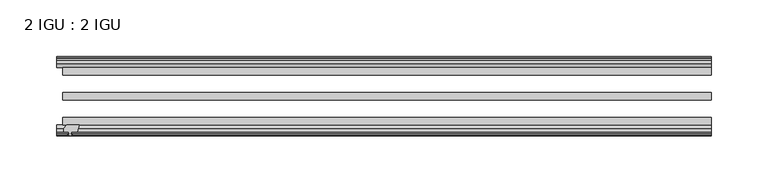
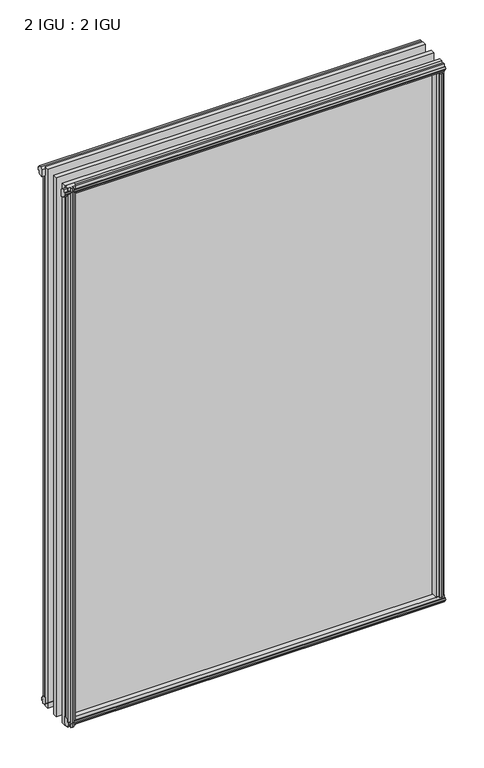
"""IFC4 building model written with IfcOpenShell, lengths in millimetres: plate geometry, 2 IGU : 2 IGU."""

from ifc_helpers import new_model, si_unit, frame, origin, origin_with_axes, place, context, project, spatial, polyline, outline, extrude, source, transform, mapped, element, save


def plate_2_igu_2_igu_f10d686a(model_context):
    return source(origin(), model_context, "Body", "SweptSolid", [
        extrude(outline(polyline([(-271.3322819, -69.9960936), (-273.05, -76.3460936), (-278.257, -76.3460936), (-278.638, -78.7262905), (-277.2224709, -78.2663573), (-277.2224709, -79.0675715), (-279.4, -79.7750936), (-281.5775291, -79.0675715), (-281.5775291, -78.2663573), (-280.162, -78.7262905), (-280.543, -76.3460936), (-284.988, -76.3460936), (-284.988, -73.3996936), (-282.1536578, -69.9960936), (-271.3322819, -69.9960936)])), frame((0.0, 0.0, -12.303125), z_axis=(0.0, 0.0, 1.0), x_axis=(1.0, 0.0, 0.0)), (0.0, 0.0, 1.0), 862.961825),
        extrude(outline(polyline([(277.7431709, -10.4746158), (279.9207, -9.7670937), (282.0982291, -10.4746158), (282.0982291, -11.27583), (280.6827, -10.8158968), (281.0637, -13.1960937), (285.5087, -13.1960937), (285.5087, -16.1424937), (282.6743578, -19.5460937), (271.8529819, -19.5460937), (273.5707, -13.1960937), (278.7777, -13.1960937), (279.1587, -10.8158968), (277.7431709, -11.27583), (277.7431709, -10.4746158)])), origin_with_axes(), (0.0, 0.0, 1.0), 838.2),
        extrude(outline(polyline([(-19.5460937, 1.5938931), (-13.1960937, -0.123825), (-13.1960937, -5.330825), (-10.8158968, -5.711825), (-11.27583, -4.2962959), (-10.4746158, -4.2962959), (-9.7670937, -6.473825), (-10.4746158, -8.6513541), (-11.27583, -8.6513541), (-10.8158968, -7.235825), (-13.1960937, -7.616825), (-13.1960937, -12.061825), (-16.1424937, -12.061825), (-19.5460937, -9.2274828), (-19.5460937, 1.5938931)])), frame((-285.75, 0.0, 0.0), z_axis=(1.0, 0.0, 0.0), x_axis=(0.0, 1.0, 0.0)), (0.0, 0.0, 1.0), 571.5),
        extrude(outline(polyline([(-69.9960936, 2.1145931), (-69.9960936, -8.7067828), (-73.3996936, -11.541125), (-76.3460936, -11.541125), (-76.3460936, -7.096125), (-78.7262905, -6.715125), (-78.2663573, -8.1306541), (-79.0675715, -8.1306541), (-79.7750936, -5.953125), (-79.0675715, -3.7755959), (-78.2663573, -3.7755959), (-78.7262905, -5.191125), (-76.3460936, -4.810125), (-76.3460936, 0.396875), (-69.9960936, 2.1145931)])), frame((-285.75, 0.0, 0.0), z_axis=(1.0, 0.0, 0.0), x_axis=(0.0, 1.0, 0.0)), (0.0, 0.0, 1.0), 571.5),
        extrude(outline(polyline([(-10.8158968, 845.8327), (-11.27583, 847.2482291), (-10.4746158, 847.2482291), (-9.7670937, 845.0707), (-10.4746158, 842.8931709), (-11.27583, 842.8931709), (-10.8158968, 844.3087), (-13.1960937, 843.9277), (-13.1960937, 838.7207), (-19.5460937, 837.0029819), (-19.5460937, 847.8243578), (-16.1424937, 850.6587), (-13.1960937, 850.6587), (-13.1960937, 846.2137), (-10.8158968, 845.8327)])), frame((-291.0961059, 0.0, 0.0), z_axis=(1.0, 0.0, 0.0), x_axis=(0.0, 1.0, 0.0)), (0.0, 0.0, 1.0), 576.8461059),
        extrude(outline(polyline([(-76.3460936, 850.138), (-73.3996936, 850.138), (-69.9960936, 847.3036578), (-69.9960936, 836.4822819), (-76.3460936, 838.2), (-76.3460936, 843.407), (-78.7262905, 843.788), (-78.2663573, 842.3724709), (-79.0675715, 842.3724709), (-79.7750936, 844.55), (-79.0675715, 846.7275291), (-78.2663573, 846.7275291), (-78.7262905, 845.312), (-76.3460936, 845.693), (-76.3460936, 850.138)])), frame((-291.0961059, 0.0, 0.0), z_axis=(1.0, 0.0, 0.0), x_axis=(0.0, 1.0, 0.0)), (0.0, 0.0, 1.0), 576.8461059),
        extrude(outline(polyline([(271.3322819, -69.9960936), (282.1536578, -69.9960936), (284.988, -73.3996936), (284.988, -76.3460936), (280.543, -76.3460936), (280.162, -78.7262905), (281.5775291, -78.2663573), (281.5775291, -79.0675715), (279.4, -79.7750936), (277.2224709, -79.0675715), (277.2224709, -78.2663573), (278.638, -78.7262905), (278.257, -76.3460936), (273.05, -76.3460936), (271.3322819, -69.9960936)])), origin_with_axes(), (0.0, 0.0, 1.0), 838.2),
        extrude(outline(polyline([(-279.9207, -9.7670937), (-277.7431709, -10.4746158), (-277.7431709, -11.27583), (-279.1587, -10.8158968), (-278.7777, -13.1960937), (-273.5707, -13.1960937), (-271.8529819, -19.5460937), (-282.6743578, -19.5460937), (-285.5087, -16.1424937), (-285.5087, -13.1960937), (-281.0637, -13.1960937), (-280.6827, -10.8158968), (-282.0982291, -11.27583), (-282.0982291, -10.4746158), (-279.9207, -9.7670937)])), origin_with_axes(), (0.0, 0.0, 1.0), 838.2),
        extrude(outline(polyline([(285.75, -19.5460937), (285.75, -25.8960937), (-285.75, -25.8960937), (-285.75, -19.5460937), (285.75, -19.5460937)])), frame((0.0, 0.0, -12.303125), z_axis=(0.0, 0.0, 1.0), x_axis=(1.0, 0.0, 0.0)), (0.0, 0.0, 1.0), 863.203125),
        extrude(outline(polyline([(-285.75, -41.5960937), (285.75, -41.5960937), (285.75, -47.9460937), (-285.75, -47.9460937), (-285.75, -41.5960937)])), frame((0.0, 0.0, -12.303125), z_axis=(0.0, 0.0, 1.0), x_axis=(1.0, 0.0, 0.0)), (0.0, 0.0, 1.0), 863.203125),
        extrude(outline(polyline([(285.75, -63.6460936), (285.75, -69.9960936), (-285.75, -69.9960936), (-285.75, -63.6460936), (285.75, -63.6460936)])), frame((0.0, 0.0, -12.303125), z_axis=(0.0, 0.0, 1.0), x_axis=(1.0, 0.0, 0.0)), (0.0, 0.0, 1.0), 863.203125),
    ])


if __name__ == "__main__":
    model = new_model("IFC4")
    model_context = context("Model", 3, world=origin())
    ifc_project = project(units=[si_unit("LENGTHUNIT", "METRE", prefix="MILLI")], contexts=[model_context])
    site = spatial("IfcSite", under=ifc_project)
    building = spatial("IfcBuilding", under=site)
    placement = place(None, origin())
    plate_2_igu_2_igu_shape = plate_2_igu_2_igu_f10d686a(model_context)
    element("IfcPlate", 1, ObjectType="2 IGU : 2 IGU", at=placement, inside=building, context=model_context, shape_type="MappedRepresentation", body=[
        mapped(plate_2_igu_2_igu_shape, transform((0.0, 0.0, 0.0), x_axis=(1.0, 0.0, 0.0), y_axis=(0.0, 1.0, 0.0), z_axis=(0.0, 0.0, 1.0))),
    ])
    save(model, "model.ifc")
